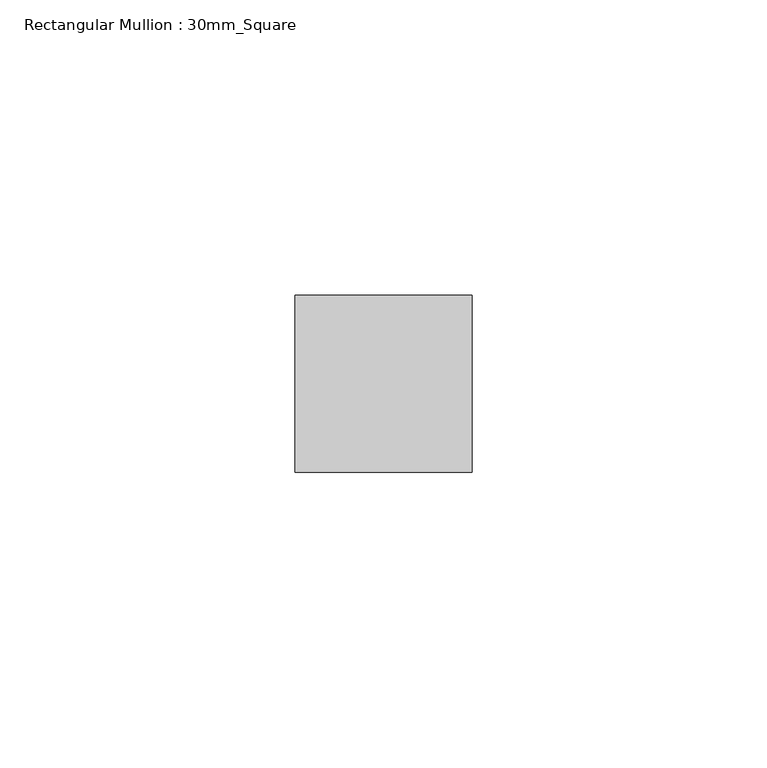
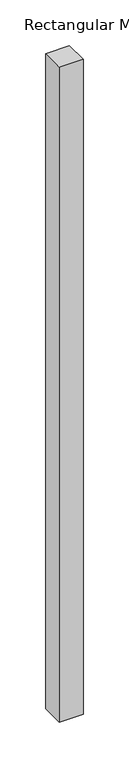
"""IFC4 building model written with IfcOpenShell, lengths in millimetres: member geometry, Rectangular Mullion : 30mm_Square."""

from ifc_helpers import new_model, si_unit, frame, origin, place, context, project, spatial, polyline, outline, extrude, source, transform, mapped, element, save


def rectangular_mullion_30mm_square_060a85df(model_context):
    return source(origin(), model_context, "Body", "SweptSolid", [
        extrude(outline(polyline([(0.0, 15.0), (0.0, -15.0), (-30.0, -15.0), (-30.0, 15.0), (0.0, 15.0)])), frame((0.0, 0.0, -875.0), z_axis=(0.0, 0.0, 1.0), x_axis=(1.0, 0.0, 0.0)), (0.0, 0.0, 1.0), 875.0),
    ])


if __name__ == "__main__":
    model = new_model("IFC4")
    model_context = context("Model", 3, world=origin())
    ifc_project = project(units=[si_unit("LENGTHUNIT", "METRE", prefix="MILLI")], contexts=[model_context])
    site = spatial("IfcSite", under=ifc_project)
    building = spatial("IfcBuilding", under=site)
    placement = place(None, origin())
    rectangular_mullion_30mm_square_shape = rectangular_mullion_30mm_square_060a85df(model_context)
    element("IfcMember", 1, ObjectType="Rectangular Mullion : 30mm_Square", at=placement, inside=building, context=model_context, shape_type="MappedRepresentation", body=[
        mapped(rectangular_mullion_30mm_square_shape, transform((0.0, 0.0, 0.0), x_axis=(1.0, 0.0, 0.0), y_axis=(0.0, 1.0, 0.0), z_axis=(0.0, 0.0, 1.0))),
    ])
    save(model, "model.ifc")
